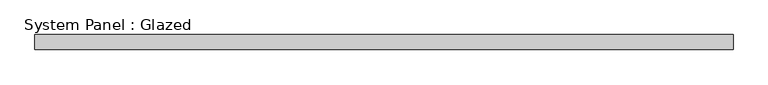
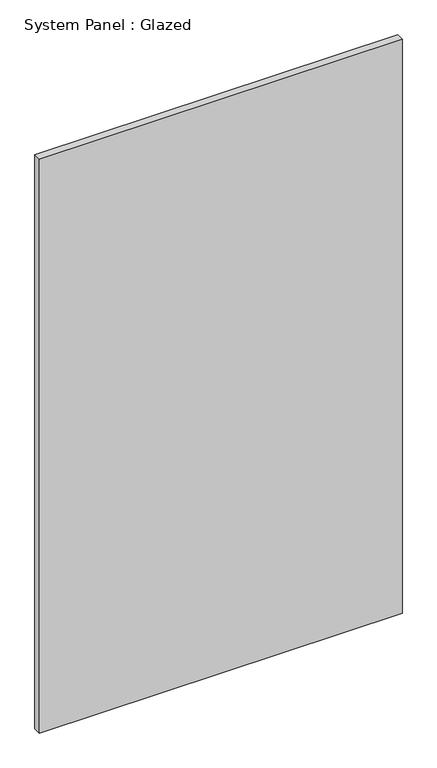
"""IFC4 building model written with IfcOpenShell, lengths in millimetres: plate geometry, System Panel : Glazed."""

from ifc_helpers import new_model, si_unit, origin, origin_with_axes, place, context, project, spatial, polyline, outline, extrude, source, transform, mapped, element, save


def system_panel_glazed_cf16769f(model_context):
    return source(origin(), model_context, "Body", "SweptSolid", [
        extrude(outline(polyline([(580.0, 24.5), (-580.0, 24.5), (-580.0, 49.5), (580.0, 49.5), (580.0, 24.5)])), origin_with_axes(), (0.0, 0.0, 1.0), 1940.0),
    ])


if __name__ == "__main__":
    model = new_model("IFC4")
    model_context = context("Model", 3, world=origin())
    ifc_project = project(units=[si_unit("LENGTHUNIT", "METRE", prefix="MILLI")], contexts=[model_context])
    site = spatial("IfcSite", under=ifc_project)
    building = spatial("IfcBuilding", under=site)
    placement = place(None, origin())
    system_panel_glazed_shape = system_panel_glazed_cf16769f(model_context)
    element("IfcPlate", 1, ObjectType="System Panel : Glazed", at=placement, inside=building, context=model_context, shape_type="MappedRepresentation", body=[
        mapped(system_panel_glazed_shape, transform((0.0, 0.0, 0.0), x_axis=(1.0, 0.0, 0.0), y_axis=(0.0, 1.0, 0.0), z_axis=(0.0, 0.0, 1.0))),
    ])
    save(model, "model.ifc")
